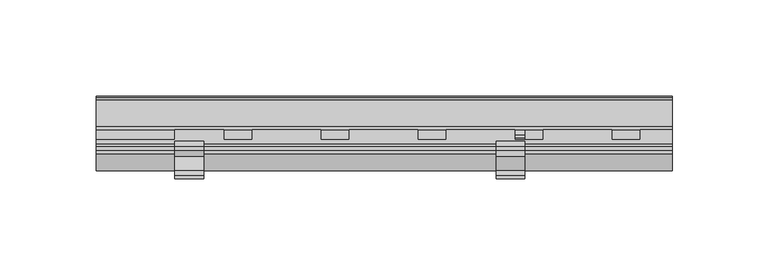
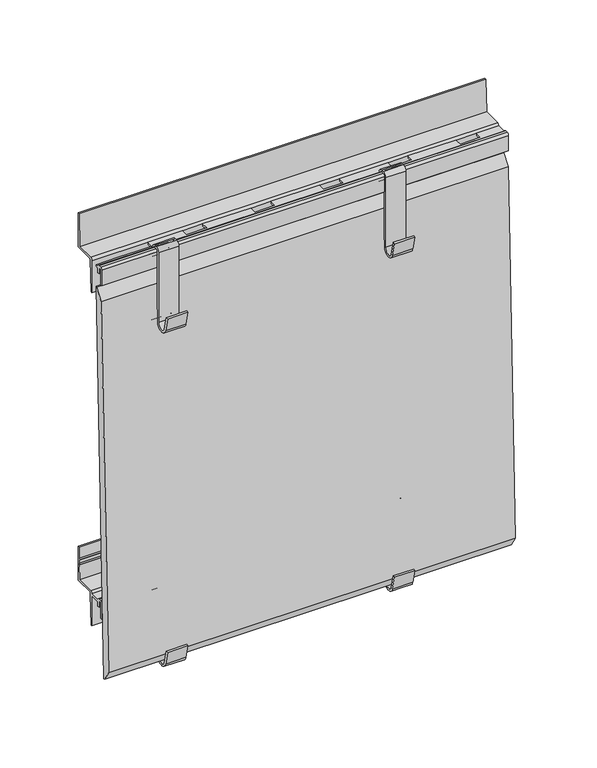
"""IFC4 building model written with IfcOpenShell, lengths in millimetres: plate geometry."""

from ifc_helpers import new_model, si_unit, point, frame, frame_2d, origin, place, context, project, spatial, polyline, circle_curve, trimmed, segment, composite_curve, outline, extrude, source, transform, mapped, element, save
from ifc_brep_helpers import plane_surface, cylinder_surface, revolved_surface, advanced_brep


def plate_468ce47e(model_context):
    return source(origin(), model_context, "Body", "SolidModel", [
        extrude(outline(composite_curve([segment(polyline([(-18.8607974, 12.4845754), (-16.2339522, 1.8827501)]), True, "CONTINUOUS"), segment(trimmed(circle_curve(frame_2d((-12.5818057, 2.7976552)), 3.765), [point((-16.2339522, 1.8827501))], [point((-8.8168057, 2.7976552))], True, "CARTESIAN"), True, "CONTINUOUS"), segment(polyline([(-8.8168057, 2.7976552), (-8.8168057, 56.7976552)]), True, "CONTINUOUS"), segment(trimmed(circle_curve(frame_2d((-5.8168057, 56.7976552)), 3.0), [point((-8.8168057, 56.7976552))], [point((-5.8168057, 59.7976552))], False, "CARTESIAN"), True, "CONTINUOUS"), segment(polyline([(-5.8168057, 59.7976552), (-3.8168058, 59.7976552)]), True, "CONTINUOUS"), segment(trimmed(circle_curve(frame_2d((-3.8168058, 56.7976552)), 3.0), [point((-3.8168058, 59.7976552))], [point((-0.8168058, 56.7976552))], False, "CARTESIAN"), True, "CONTINUOUS"), segment(polyline([(-0.8168058, 56.7976552), (-0.8168057, 51.7976552)]), True, "CONTINUOUS"), segment(trimmed(circle_curve(frame_2d((0.6831943, 51.7976552)), 1.5), [point((-0.8168057, 51.7976552))], [point((0.6831943, 50.2976552))], True, "CARTESIAN"), True, "CONTINUOUS"), segment(polyline([(0.6831943, 50.2976552), (2.1831943, 50.2976552)]), True, "CONTINUOUS"), segment(trimmed(circle_curve(frame_2d((2.1831943, 47.2976552)), 3.0), [point((2.1831943, 50.2976552))], [point((5.1831943, 47.2976552))], False, "CARTESIAN"), True, "CONTINUOUS"), segment(polyline([(5.1831943, 47.2976552), (5.1831943, 1.2976552)]), True, "CONTINUOUS"), segment(trimmed(circle_curve(frame_2d((2.1831943, 1.2976552)), 3.0), [point((5.1831943, 1.2976552))], [point((-0.8006941, 0.9871553))], False, "CARTESIAN"), True, "CONTINUOUS"), segment(polyline([(-0.8006941, 0.9871553), (-3.8092302, 30.8457927), (-2.3167633, 30.9961593), (0.6808295, 1.2455237)]), True, "CONTINUOUS"), segment(trimmed(circle_curve(frame_2d((2.1815304, 1.2993191)), 1.5016648), [point((0.6808295, 1.2455237))], [point((3.6831943, 1.300983))], True, "CARTESIAN"), True, "CONTINUOUS"), segment(polyline([(3.6831943, 1.300983), (3.6831943, 47.2976552)]), True, "CONTINUOUS"), segment(trimmed(circle_curve(frame_2d((2.1831943, 47.2976552)), 1.5), [point((3.6831943, 47.2976552))], [point((2.1831943, 48.7976552))], True, "CARTESIAN"), True, "CONTINUOUS"), segment(polyline([(2.1831943, 48.7976552), (0.6831943, 48.7976552)]), True, "CONTINUOUS"), segment(trimmed(circle_curve(frame_2d((0.6831943, 51.7976552)), 3.0), [point((0.6831943, 48.7976552))], [point((-2.3168057, 51.7976552))], False, "CARTESIAN"), True, "CONTINUOUS"), segment(polyline([(-2.3168057, 51.7976552), (-2.3168057, 56.7976552)]), True, "CONTINUOUS"), segment(trimmed(circle_curve(frame_2d((-3.8168057, 56.7976552)), 1.5), [point((-2.3168057, 56.7976552))], [point((-3.8168057, 58.2976552))], True, "CARTESIAN"), True, "CONTINUOUS"), segment(polyline([(-3.8168057, 58.2976552), (-5.8168057, 58.2976552)]), True, "CONTINUOUS"), segment(trimmed(circle_curve(frame_2d((-5.8168057, 56.7976552)), 1.5), [point((-5.8168057, 58.2976552))], [point((-7.3168057, 56.7976552))], True, "CARTESIAN"), True, "CONTINUOUS"), segment(polyline([(-7.3168057, 56.7976552), (-7.3168057, 2.7976552)]), True, "CONTINUOUS"), segment(trimmed(circle_curve(frame_2d((-12.5818057, 2.7976552)), 5.265), [point((-7.3168057, 2.7976552))], [point((-17.692272, 1.5314169))], False, "CARTESIAN"), True, "CONTINUOUS"), segment(polyline([(-17.692272, 1.5314169), (-20.3167911, 12.1238271), (-18.8607974, 12.4845754)]), True, "CONTINUOUS")], self_intersect=False)), frame((58.4272488, 0.0, 0.0), z_axis=(1.0, 0.0, 0.0), x_axis=(0.0, 1.0, 0.0)), (0.0, 0.0, 1.0), 15.0),
        extrude(outline(composite_curve([segment(polyline([(-5.8168057, 56.7976552), (-5.8168057, 49.7976552), (-6.3168057, 44.7976552), (-7.3168057, 44.7976552), (-7.3168057, 56.7976552)]), True, "CONTINUOUS"), segment(trimmed(circle_curve(frame_2d((-5.8168057, 56.7976552)), 1.5), [point((-7.3168057, 56.7976552))], [point((-5.8168057, 58.2976552))], False, "CARTESIAN"), True, "CONTINUOUS"), segment(polyline([(-5.8168057, 58.2976552), (-3.8168057, 58.2976552)]), True, "CONTINUOUS"), segment(trimmed(circle_curve(frame_2d((-3.8168057, 56.7976552)), 1.5), [point((-3.8168057, 58.2976552))], [point((-2.3168057, 56.7976552))], False, "CARTESIAN"), True, "CONTINUOUS"), segment(polyline([(-2.3168057, 56.7976552), (5.1831943, 56.7976552)]), True, "CONTINUOUS"), segment(trimmed(circle_curve(frame_2d((6.6831943, 56.7976552)), 1.5), [point((5.1831943, 56.7976552))], [point((6.6831943, 58.2976552))], False, "CARTESIAN"), True, "CONTINUOUS"), segment(polyline([(6.6831943, 58.2976552), (20.6831943, 58.2976552), (21.1423236, 69.7758352), (20.6038409, 70.35277), (21.1905414, 70.9813863), (21.2902042, 73.4729787), (20.7538425, 74.0476552), (21.3382388, 74.6737997), (21.6831943, 83.2976552), (22.6831943, 83.2976552), (22.6831943, 56.7976552), (7.6831943, 56.7976552)]), True, "CONTINUOUS"), segment(trimmed(circle_curve(frame_2d((7.6831943, 56.2976552)), 0.5), [point((7.6831943, 56.7976552))], [point((7.1831943, 56.2976552))], True, "CARTESIAN"), True, "CONTINUOUS"), segment(polyline([(7.1831943, 56.2976552), (7.1831943, 55.3127462), (6.1831943, 31.7976552), (5.1831943, 31.7976552), (5.1831943, 55.2976552), (-2.3168057, 55.2976552), (-2.3168057, 51.7696554), (-3.8168057, 51.7696554), (-3.8168057, 56.7976552), (-5.8168057, 56.7976552)]), True, "CONTINUOUS")], self_intersect=False)), frame((-150.0, 0.0, 0.0), z_axis=(1.0, 0.0, 0.0), x_axis=(0.0, 1.0, 0.0)), (0.0, 0.0, 1.0), 300.0),
        extrude(outline(composite_curve([segment(polyline([(-18.8607974, 12.4845754), (-16.2339522, 1.8827501)]), True, "CONTINUOUS"), segment(trimmed(circle_curve(frame_2d((-12.5818057, 2.7976552)), 3.765), [point((-16.2339522, 1.8827501))], [point((-8.8168057, 2.7976552))], True, "CARTESIAN"), True, "CONTINUOUS"), segment(polyline([(-8.8168057, 2.7976552), (-8.8168057, 56.7976552)]), True, "CONTINUOUS"), segment(trimmed(circle_curve(frame_2d((-5.8168057, 56.7976552)), 3.0), [point((-8.8168057, 56.7976552))], [point((-5.8168057, 59.7976552))], False, "CARTESIAN"), True, "CONTINUOUS"), segment(polyline([(-5.8168057, 59.7976552), (-3.8168057, 59.7976552)]), True, "CONTINUOUS"), segment(trimmed(circle_curve(frame_2d((-3.8168057, 56.7976552)), 3.0), [point((-3.8168057, 59.7976552))], [point((-0.8168057, 56.7976552))], False, "CARTESIAN"), True, "CONTINUOUS"), segment(polyline([(-0.8168057, 56.7976552), (-0.8168057, 51.7976552)]), True, "CONTINUOUS"), segment(trimmed(circle_curve(frame_2d((0.6831943, 51.7976552)), 1.5), [point((-0.8168057, 51.7976552))], [point((0.6831943, 50.2976552))], True, "CARTESIAN"), True, "CONTINUOUS"), segment(polyline([(0.6831943, 50.2976552), (2.1831943, 50.2976552)]), True, "CONTINUOUS"), segment(trimmed(circle_curve(frame_2d((2.1831943, 47.2976552)), 3.0), [point((2.1831943, 50.2976552))], [point((5.1831943, 47.2976552))], False, "CARTESIAN"), True, "CONTINUOUS"), segment(polyline([(5.1831943, 47.2976552), (5.1831943, 1.2976552)]), True, "CONTINUOUS"), segment(trimmed(circle_curve(frame_2d((2.1831943, 1.2976552)), 3.0), [point((5.1831943, 1.2976552))], [point((-0.8006941, 0.9871553))], False, "CARTESIAN"), True, "CONTINUOUS"), segment(polyline([(-0.8006941, 0.9871553), (-3.8092302, 30.8457927), (-2.3167633, 30.9961593), (0.6808295, 1.2455237)]), True, "CONTINUOUS"), segment(trimmed(circle_curve(frame_2d((2.1815304, 1.2993191)), 1.5016648), [point((0.6808295, 1.2455237))], [point((3.6831943, 1.300983))], True, "CARTESIAN"), True, "CONTINUOUS"), segment(polyline([(3.6831943, 1.300983), (3.6831943, 47.2976552)]), True, "CONTINUOUS"), segment(trimmed(circle_curve(frame_2d((2.1831943, 47.2976552)), 1.5), [point((3.6831943, 47.2976552))], [point((2.1831943, 48.7976552))], True, "CARTESIAN"), True, "CONTINUOUS"), segment(polyline([(2.1831943, 48.7976552), (0.6831943, 48.7976552)]), True, "CONTINUOUS"), segment(trimmed(circle_curve(frame_2d((0.6831943, 51.7976552)), 3.0), [point((0.6831943, 48.7976552))], [point((-2.3168057, 51.7976552))], False, "CARTESIAN"), True, "CONTINUOUS"), segment(polyline([(-2.3168057, 51.7976552), (-2.3168057, 56.7976552)]), True, "CONTINUOUS"), segment(trimmed(circle_curve(frame_2d((-3.8168057, 56.7976552)), 1.5), [point((-2.3168057, 56.7976552))], [point((-3.8168057, 58.2976552))], True, "CARTESIAN"), True, "CONTINUOUS"), segment(polyline([(-3.8168057, 58.2976552), (-5.8168057, 58.2976552)]), True, "CONTINUOUS"), segment(trimmed(circle_curve(frame_2d((-5.8168057, 56.7976552)), 1.5), [point((-5.8168057, 58.2976552))], [point((-7.3168057, 56.7976552))], True, "CARTESIAN"), True, "CONTINUOUS"), segment(polyline([(-7.3168057, 56.7976552), (-7.3168057, 2.7976552)]), True, "CONTINUOUS"), segment(trimmed(circle_curve(frame_2d((-12.5818057, 2.7976552)), 5.265), [point((-7.3168057, 2.7976552))], [point((-17.692272, 1.5314169))], False, "CARTESIAN"), True, "CONTINUOUS"), segment(polyline([(-17.692272, 1.5314169), (-20.3167911, 12.1238271), (-18.8607974, 12.4845754)]), True, "CONTINUOUS")], self_intersect=False)), frame((-108.9272488, 0.0, 0.0), z_axis=(1.0, 0.0, 0.0), x_axis=(0.0, 1.0, 0.0)), (0.0, 0.0, 1.0), 15.0),
        extrude(outline(composite_curve([segment(polyline([(-8.8168056, 262.7801056), (-8.8168056, 316.7801055)]), True, "CONTINUOUS"), segment(trimmed(circle_curve(frame_2d((-5.8168057, 316.7801055)), 3.0), [point((-8.8168056, 316.7801055))], [point((-5.8168057, 319.7801055))], False, "CARTESIAN"), True, "CONTINUOUS"), segment(polyline([(-5.8168057, 319.7801055), (-3.8168057, 319.7801055)]), True, "CONTINUOUS"), segment(trimmed(circle_curve(frame_2d((-3.8168057, 316.7801055)), 3.0), [point((-3.8168057, 319.7801055))], [point((-0.8168057, 316.7801055))], False, "CARTESIAN"), True, "CONTINUOUS"), segment(polyline([(-0.8168057, 316.7801055), (-0.8168057, 311.7801055)]), True, "CONTINUOUS"), segment(trimmed(circle_curve(frame_2d((0.6831943, 311.7801055)), 1.5), [point((-0.8168057, 311.7801055))], [point((0.6831943, 310.2801055))], True, "CARTESIAN"), True, "CONTINUOUS"), segment(polyline([(0.6831943, 310.2801055), (2.1831943, 310.2801055)]), True, "CONTINUOUS"), segment(trimmed(circle_curve(frame_2d((2.1831943, 307.2801056)), 3.0), [point((2.1831943, 310.2801055))], [point((5.1831943, 307.2801056))], False, "CARTESIAN"), True, "CONTINUOUS"), segment(polyline([(5.1831943, 307.2801056), (5.1831943, 261.2801056)]), True, "CONTINUOUS"), segment(trimmed(circle_curve(frame_2d((2.1831943, 261.2801056)), 3.0), [point((5.1831943, 261.2801056))], [point((-0.8168057, 261.2801056))], False, "CARTESIAN"), True, "CONTINUOUS"), segment(polyline([(-0.8168057, 261.2801056), (-0.8168057, 291.2801056), (0.6831943, 291.2801056), (0.6831943, 261.2801056)]), True, "CONTINUOUS"), segment(trimmed(circle_curve(frame_2d((2.1831943, 261.2801056)), 1.5), [point((0.6831943, 261.2801056))], [point((3.6831943, 261.2801056))], True, "CARTESIAN"), True, "CONTINUOUS"), segment(polyline([(3.6831943, 261.2801056), (3.6831943, 307.2801056)]), True, "CONTINUOUS"), segment(trimmed(circle_curve(frame_2d((2.1831943, 307.2801056)), 1.5), [point((3.6831943, 307.2801056))], [point((2.1831943, 308.7801056))], True, "CARTESIAN"), True, "CONTINUOUS"), segment(polyline([(2.1831943, 308.7801056), (0.6831943, 308.7801056)]), True, "CONTINUOUS"), segment(trimmed(circle_curve(frame_2d((0.6831943, 311.7801055)), 3.0), [point((0.6831943, 308.7801056))], [point((-2.3168057, 311.7801055))], False, "CARTESIAN"), True, "CONTINUOUS"), segment(polyline([(-2.3168057, 311.7801055), (-2.3168057, 316.7801055)]), True, "CONTINUOUS"), segment(trimmed(circle_curve(frame_2d((-3.8168057, 316.7801055)), 1.5), [point((-2.3168057, 316.7801055))], [point((-3.8168057, 318.2801055))], True, "CARTESIAN"), True, "CONTINUOUS"), segment(polyline([(-3.8168057, 318.2801055), (-5.8168057, 318.2801055)]), True, "CONTINUOUS"), segment(trimmed(circle_curve(frame_2d((-5.8168057, 316.7801055)), 1.5), [point((-5.8168057, 318.2801055))], [point((-7.3168057, 316.7801055))], True, "CARTESIAN"), True, "CONTINUOUS"), segment(polyline([(-7.3168057, 316.7801055), (-7.3168057, 262.7801056)]), True, "CONTINUOUS"), segment(trimmed(circle_curve(frame_2d((-12.5818056, 262.7801056)), 5.265), [point((-7.3168057, 262.7801056))], [point((-17.6922719, 261.5138672))], False, "CARTESIAN"), True, "CONTINUOUS"), segment(polyline([(-17.6922719, 261.5138672), (-20.316791, 272.1062774), (-18.8607973, 272.4670257), (-16.2386219, 261.8840476)]), True, "CONTINUOUS"), segment(trimmed(circle_curve(frame_2d((-12.5818056, 262.7801056)), 3.765), [point((-16.2386219, 261.8840476))], [point((-8.8168056, 262.7801056))], True, "CARTESIAN"), True, "CONTINUOUS")], self_intersect=False)), frame((-108.9272488, 0.0, 0.0), z_axis=(1.0, 0.0, 0.0), x_axis=(0.0, 1.0, 0.0)), (0.0, 0.0, 1.0), 15.0),
        advanced_brep(
        [(150.0, -6.3168057, 304.7801056), (150.0, -5.8168057, 309.7801056), (150.0, -5.8168057, 316.7801056), (150.0, -3.8168057, 316.7801056), (150.0, -3.8168057, 311.7521057), (150.0, -2.3168057, 311.7521057), (150.0, -2.3168057, 315.2801056), (150.0, 5.1831943, 315.2801056), (150.0, 5.1831943, 291.7801056), (150.0, 6.1831943, 291.7801056), (150.0, 7.2219099, 316.2055981), (150.0, 7.8213681, 316.7801056), (150.0, 22.6831943, 316.7801056), (150.0, 22.6831943, 343.2801056), (150.0, 21.6831943, 343.2801056), (150.0, 20.6831943, 318.2801056), (150.0, 6.6831943, 318.2801056), (150.0, 5.1831942, 316.7801056), (150.0, -2.3168057, 316.7801056), (150.0, -3.8168057, 318.2801056), (150.0, -5.8168057, 318.2801056), (150.0, -7.3168057, 316.7801056), (150.0, -7.3168057, 304.7801056), (-150.0, -6.3168057, 304.7801056), (-150.0, -7.3168057, 304.7801056), (-150.0, -7.3168057, 316.7801056), (-150.0, -5.8168057, 318.2801056), (-150.0, -3.8168057, 318.2801056), (-150.0, -2.3168057, 316.7801056), (-150.0, 0.0, 316.7801056), (-150.0, 0.0, 315.2801056), (-150.0, -2.3168057, 315.2801056), (-150.0, -2.3168057, 311.7521057), (-150.0, -3.8168057, 311.7521057), (-150.0, -3.8168057, 316.7801056), (-150.0, -5.8168057, 316.7801056), (-150.0, -5.8168057, 309.7801056), (-150.0, 5.1831943, 291.7801056), (-150.0, 5.1831943, 316.7801058), (-150.0, 6.6831943, 318.2801056), (-150.0, 20.6831943, 318.2801056), (-150.0, 21.6831943, 343.2801056), (-150.0, 22.6831943, 343.2801056), (-150.0, 22.6831943, 316.7801056), (-150.0, 7.8213681, 316.7801056), (-150.0, 7.2219099, 316.2055981), (-150.0, 6.1831943, 291.7801056), (133.5, 5.1831942, 316.7801056), (133.5, 0.0, 316.7801056), (118.5, 0.0, 316.7801056), (118.5, 5.1831942, 316.7801056), (83.0, 5.1831942, 316.7801056), (83.0, 0.0, 316.7801056), (68.0, 0.0, 316.7801056), (68.0, 5.1831942, 316.7801056), (32.5, 5.1831942, 316.7801056), (32.5, 0.0, 316.7801056), (17.5, 0.0, 316.7801056), (17.5, 5.1831942, 316.7801056), (-18.0, 5.1831942, 316.7801056), (-18.0, 0.0, 316.7801056), (-33.0, 0.0, 316.7801056), (-33.0, 5.1831942, 316.7801056), (-68.5, 5.1831942, 316.7801056), (-68.5, 0.0, 316.7801056), (-83.5, 0.0, 316.7801056), (-83.5, 5.1831942, 316.7801056), (-108.9272488, 5.1831942, 316.7801056), (-108.9272488, 0.0, 316.7801056), (-119.0, 0.0, 316.7801056), (-134.0, 0.0, 316.7801056), (133.5, 5.1831943, 315.2801056), (118.5, 5.1831943, 315.2976552), (83.0, 5.1831943, 315.2801056), (68.0, 5.1831943, 315.2976552), (32.5, 5.1831943, 315.2801056), (17.5, 5.1831943, 315.2976552), (-18.0, 5.1831943, 315.2801056), (-33.0, 5.1831943, 315.2976552), (-68.5, 5.1831943, 315.2801056), (-83.5, 5.1831943, 315.2976552), (-108.9272488, 5.1831943, 315.2801056), (-134.0, 0.0, 315.2801056), (-119.0, 0.0, 315.2801056), (-108.9272488, 0.0, 315.2801056), (-83.5, 0.0, 315.2801056), (-68.5, 0.0, 315.2801056), (-33.0, 0.0, 315.2801056), (-18.0, 0.0, 315.2801056), (17.5, 0.0, 315.2801056), (32.5, 0.0, 315.2801056), (68.0, 0.0, 315.2801056), (83.0, 0.0, 315.2801056), (118.5, 0.0, 315.2801056), (133.5, 0.0, 315.2801056)],
        [
            (0, 1),
            (1, 2),
            (2, 3),
            (3, 4),
            (4, 5),
            (5, 6),
            (6, 7),
            (7, 8),
            (8, 9),
            (9, 10),
            (10, 11, circle_curve(frame((150.0, 7.8213681, 316.1801056), z_axis=(-1.0, 0.0, 0.0), x_axis=(0.0, -1.0, 0.0)), 0.6)),
            (11, 12),
            (12, 13),
            (13, 14),
            (14, 15),
            (15, 16),
            (16, 17, circle_curve(frame((150.0, 6.6831943, 316.7801056), z_axis=(1.0, 0.0, 0.0), x_axis=(0.0, -1.0, 0.0)), 1.5)),
            (17, 18),
            (18, 19, circle_curve(frame((150.0, -3.8168057, 316.7801056), z_axis=(1.0, 0.0, 0.0), x_axis=(0.0, -1.0, 0.0)), 1.5)),
            (19, 20),
            (20, 21, circle_curve(frame((150.0, -5.8168057, 316.7801056), z_axis=(1.0, 0.0, 0.0), x_axis=(0.0, -1.0, 0.0)), 1.5)),
            (21, 22),
            (22, 0),
            (23, 24),
            (24, 25),
            (25, 26, circle_curve(frame((-150.0, -5.8168057, 316.7801056), z_axis=(-1.0, 0.0, 0.0), x_axis=(0.0, -1.0, 0.0)), 1.5)),
            (26, 27),
            (27, 28, circle_curve(frame((-150.0, -3.8168057, 316.7801056), z_axis=(-1.0, 0.0, 0.0), x_axis=(0.0, -1.0, 0.0)), 1.5)),
            (28, 29),
            (29, 30),
            (30, 31),
            (31, 32),
            (32, 33),
            (33, 34),
            (34, 35),
            (35, 36),
            (36, 23),
            (37, 38),
            (38, 39, circle_curve(frame((-150.0, 6.6831943, 316.7801056), z_axis=(-1.0, 0.0, 0.0), x_axis=(0.0, -1.0, 0.0)), 1.5)),
            (39, 40),
            (40, 41),
            (41, 42),
            (42, 43),
            (43, 44),
            (44, 45, circle_curve(frame((-150.0, 7.8213681, 316.1801056), z_axis=(1.0, 0.0, 0.0), x_axis=(0.0, -1.0, 0.0)), 0.6)),
            (45, 46),
            (46, 37),
            (22, 24),
            (23, 0),
            (21, 25),
            (20, 26),
            (19, 27),
            (18, 28),
            (17, 47),
            (47, 48),
            (48, 49),
            (49, 50),
            (50, 51),
            (51, 52),
            (52, 53),
            (53, 54),
            (54, 55),
            (55, 56),
            (56, 57),
            (57, 58),
            (58, 59),
            (59, 60),
            (60, 61),
            (61, 62),
            (62, 63),
            (63, 64),
            (64, 65),
            (65, 66),
            (66, 67),
            (67, 68),
            (68, 69),
            (69, 70),
            (70, 29),
            (16, 39),
            (38, 67),
            (66, 63),
            (62, 59),
            (58, 55),
            (54, 51),
            (50, 47),
            (15, 40),
            (14, 41),
            (13, 42),
            (12, 43),
            (11, 44),
            (10, 45),
            (9, 46),
            (8, 37),
            (7, 71),
            (71, 47),
            (50, 72),
            (72, 73),
            (73, 51),
            (54, 74),
            (74, 75),
            (75, 55),
            (58, 76),
            (76, 77),
            (77, 59),
            (62, 78),
            (78, 79),
            (79, 63),
            (66, 80),
            (80, 81),
            (81, 67),
            (6, 31),
            (30, 82),
            (82, 83),
            (83, 84),
            (84, 81),
            (80, 85),
            (85, 86),
            (86, 79),
            (78, 87),
            (87, 88),
            (88, 77),
            (76, 89),
            (89, 90),
            (90, 75),
            (74, 91),
            (91, 92),
            (92, 73),
            (72, 93),
            (93, 94),
            (94, 71),
            (5, 32),
            (4, 33),
            (3, 34),
            (2, 35),
            (1, 36),
            (84, 68),
            (86, 64),
            (65, 85),
            (88, 60),
            (61, 87),
            (90, 56),
            (57, 89),
            (92, 52),
            (53, 91),
            (94, 48),
            (49, 93),
        ],
        [
            plane_surface(frame((150.0, -7.3168057, 304.7801056), z_axis=(1.0, 0.0, 0.0), x_axis=(0.0, -1.0, 0.0))),
            plane_surface(frame((-150.0, -7.3168057, 304.7801056), z_axis=(-1.0, 0.0, 0.0), x_axis=(0.0, 1.0, 0.0))),
            plane_surface(frame((150.0, -6.3168057, 304.7801056), z_axis=(0.0, 0.0, -1.0), x_axis=(-1.0, 0.0, 0.0))),
            plane_surface(frame((150.0, -7.3168057, 304.7801056), z_axis=(0.0, -1.0, 0.0), x_axis=(-1.0, 0.0, 0.0))),
            cylinder_surface(frame((-150.0, -5.8168057, 316.7801056), z_axis=(1.0, 0.0, 0.0), x_axis=(0.0, -1.0, 0.0)), 1.5),
            plane_surface(frame((150.0, -5.8168057, 318.2801056), z_axis=(0.0, 0.0, 1.0), x_axis=(-1.0, 0.0, 0.0))),
            cylinder_surface(frame((-150.0, -3.8168057, 316.7801056), z_axis=(1.0, 0.0, 0.0), x_axis=(0.0, -1.0, 0.0)), 1.5),
            plane_surface(frame((150.0, -2.3168057, 316.7801056), z_axis=(0.0, 0.0, 1.0), x_axis=(-1.0, 0.0, 0.0))),
            cylinder_surface(frame((-150.0, 6.6831943, 316.7801056), z_axis=(1.0, 0.0, 0.0), x_axis=(0.0, -1.0, 0.0)), 1.5),
            plane_surface(frame((150.0, 6.6831943, 318.2801056), z_axis=(0.0, 0.0, 1.0), x_axis=(-1.0, 0.0, 0.0))),
            plane_surface(frame((150.0, 20.6831943, 318.2801056), z_axis=(0.0, -0.9992009587217895, 0.0399680383488705), x_axis=(-1.0, 0.0, 0.0))),
            plane_surface(frame((150.0, 21.6831943, 343.2801056), z_axis=(0.0, 0.0, 1.0), x_axis=(-1.0, 0.0, 0.0))),
            plane_surface(frame((150.0, 22.6831943, 343.2801056), z_axis=(0.0, 1.0, 0.0), x_axis=(-1.0, 0.0, 0.0))),
            plane_surface(frame((150.0, 22.6831943, 316.7801056), z_axis=(0.0, 0.0, -1.0), x_axis=(-1.0, 0.0, 0.0))),
            revolved_surface(polyline([(-150.0, 7.2213681, 316.1801056), (150.0, 7.2213681, 316.1801056)]), (-150.0, 7.8213681, 316.1801056), (-1.0, 0.0, 0.0)),
            plane_surface(frame((150.0, 7.2219099, 316.2055981), z_axis=(0.0, 0.9990969992385167, -0.04248748183396547), x_axis=(-1.0, 0.0, 0.0))),
            plane_surface(frame((150.0, 6.1831943, 291.7801056), z_axis=(0.0, 0.0, -1.0), x_axis=(-1.0, 0.0, 0.0))),
            plane_surface(frame((150.0, 5.1831943, 291.7801056), z_axis=(0.0, -1.0, 0.0), x_axis=(-1.0, 0.0, 0.0))),
            plane_surface(frame((150.0, 5.1831943, 315.2801056), z_axis=(0.0, 0.0, -1.0), x_axis=(-1.0, 0.0, 0.0))),
            plane_surface(frame((150.0, -2.3168057, 315.2801056), z_axis=(0.0, 1.0, 0.0), x_axis=(-1.0, 0.0, 0.0))),
            plane_surface(frame((150.0, -2.3168057, 311.7521057), z_axis=(0.0, 0.0, -1.0), x_axis=(-1.0, 0.0, 0.0))),
            plane_surface(frame((150.0, -3.8168057, 311.7521057), z_axis=(0.0, -1.0, 0.0), x_axis=(-1.0, 0.0, 0.0))),
            plane_surface(frame((150.0, -3.8168057, 316.7801056), z_axis=(0.0, 0.0, -1.0), x_axis=(-1.0, 0.0, 0.0))),
            plane_surface(frame((150.0, -5.8168057, 316.7801056), z_axis=(0.0, 1.0, 0.0), x_axis=(-1.0, 0.0, 0.0))),
            plane_surface(frame((150.0, -5.8168057, 309.7801056), z_axis=(0.0, 0.9950371902099884, -0.0995037190210076), x_axis=(-1.0, 0.0, 0.0))),
            plane_surface(frame((-108.9272488, 5.1831943, 316.7801055), z_axis=(-1.0, 0.0, 0.0), x_axis=(0.0, 0.0, -1.0))),
            plane_surface(frame((-108.9272488, 0.0, 315.2801056), z_axis=(0.0, 1.0, 0.0), x_axis=(-1.0, 0.0, 0.0))),
            plane_surface(frame((-68.5, 5.1831943, 316.7976552), z_axis=(-1.0, 0.0, 0.0), x_axis=(0.0, 0.0, -1.0))),
            plane_surface(frame((-83.5, 5.1831943, 316.7976552), z_axis=(1.0, 0.0, 0.0), x_axis=(0.0, 0.0, 1.0))),
            plane_surface(frame((-68.5, 0.0, 315.2976552), z_axis=(0.0, 1.0, 0.0), x_axis=(-1.0, 0.0, 0.0))),
            plane_surface(frame((-18.0, 5.1831943, 316.7976552), z_axis=(-1.0, 0.0, 0.0), x_axis=(0.0, 0.0, -1.0))),
            plane_surface(frame((-33.0, 5.1831943, 316.7976552), z_axis=(1.0, 0.0, 0.0), x_axis=(0.0, 0.0, 1.0))),
            plane_surface(frame((-18.0, 0.0, 315.2976552), z_axis=(0.0, 1.0, 0.0), x_axis=(-1.0, 0.0, 0.0))),
            plane_surface(frame((32.5, 5.1831943, 316.7976552), z_axis=(-1.0, 0.0, 0.0), x_axis=(0.0, 0.0, -1.0))),
            plane_surface(frame((17.5, 5.1831943, 316.7976552), z_axis=(1.0, 0.0, 0.0), x_axis=(0.0, 0.0, 1.0))),
            plane_surface(frame((32.5, 0.0, 315.2976552), z_axis=(0.0, 1.0, 0.0), x_axis=(-1.0, 0.0, 0.0))),
            plane_surface(frame((83.0, 5.1831943, 316.7976552), z_axis=(-1.0, 0.0, 0.0), x_axis=(0.0, 0.0, -1.0))),
            plane_surface(frame((68.0, 5.1831943, 316.7976552), z_axis=(1.0, 0.0, 0.0), x_axis=(0.0, 0.0, 1.0))),
            plane_surface(frame((83.0, 0.0, 315.2976552), z_axis=(0.0, 1.0, 0.0), x_axis=(-1.0, 0.0, 0.0))),
            plane_surface(frame((133.5, 5.1831943, 316.7976552), z_axis=(-1.0, 0.0, 0.0), x_axis=(0.0, 0.0, -1.0))),
            plane_surface(frame((118.5, 5.1831943, 316.7976552), z_axis=(1.0, 0.0, 0.0), x_axis=(0.0, 0.0, 1.0))),
            plane_surface(frame((133.5, 0.0, 315.2976552), z_axis=(0.0, 1.0, 0.0), x_axis=(-1.0, 0.0, 0.0))),
        ],
        [
            (0, [[1, 2, 3, 4, 5, 6, 7, 8, 9, 10, 11, 12, 13, 14, 15, 16, 17, 18, 19, 20, 21, 22, 23]]),
            (1, [[24, 25, 26, 27, 28, 29, 30, 31, 32, 33, 34, 35, 36, 37]]),
            (1, [[38, 39, 40, 41, 42, 43, 44, 45, 46, 47]]),
            (2, [[48, -24, 49, -23]]),
            (3, [[50, -25, -48, -22]]),
            (4, [[51, -26, -50, -21]]),
            (5, [[52, -27, -51, -20]]),
            (6, [[53, -28, -52, -19]]),
            (7, [[54, 55, 56, 57, 58, 59, 60, 61, 62, 63, 64, 65, 66, 67, 68, 69, 70, 71, 72, 73, 74, 75, 76, 77, 78, -29, -53, -18]]),
            (8, [[79, -39, 80, -74, 81, -70, 82, -66, 83, -62, 84, -58, 85, -54, -17]]),
            (9, [[86, -40, -79, -16]]),
            (10, [[87, -41, -86, -15]]),
            (11, [[88, -42, -87, -14]]),
            (12, [[89, -43, -88, -13]]),
            (13, [[90, -44, -89, -12]]),
            (14, [[91, -45, -90, -11]]),
            (15, [[92, -46, -91, -10]]),
            (16, [[93, -47, -92, -9]]),
            (17, [[94, 95, -85, 96, 97, 98, -84, 99, 100, 101, -83, 102, 103, 104, -82, 105, 106, 107, -81, 108, 109, 110, -80, -38, -93, -8]]),
            (18, [[111, -31, 112, 113, 114, 115, -109, 116, 117, 118, -106, 119, 120, 121, -103, 122, 123, 124, -100, 125, 126, 127, -97, 128, 129, 130, -94, -7]]),
            (19, [[131, -32, -111, -6]]),
            (20, [[132, -33, -131, -5]]),
            (21, [[133, -34, -132, -4]]),
            (22, [[134, -35, -133, -3]]),
            (23, [[135, -36, -134, -2]]),
            (24, [[-49, -37, -135, -1]]),
            (25, [[-75, -110, -115, 136]]),
            (26, [[-114, -113, -112, -30, -78, -77, -76, -136]]),
            (27, [[-71, -107, -118, 137]]),
            (28, [[-73, 138, -116, -108]]),
            (29, [[-117, -138, -72, -137]]),
            (30, [[-67, -104, -121, 139]]),
            (31, [[-69, 140, -119, -105]]),
            (32, [[-120, -140, -68, -139]]),
            (33, [[-63, -101, -124, 141]]),
            (34, [[-65, 142, -122, -102]]),
            (35, [[-123, -142, -64, -141]]),
            (36, [[-59, -98, -127, 143]]),
            (37, [[-61, 144, -125, -99]]),
            (38, [[-126, -144, -60, -143]]),
            (39, [[-55, -95, -130, 145]]),
            (40, [[-57, 146, -128, -96]]),
            (41, [[-129, -146, -56, -145]]),
        ],
    ),
        extrude(outline(composite_curve([segment(polyline([(-8.8168056, 262.7801056), (-8.8168056, 316.7801055)]), True, "CONTINUOUS"), segment(trimmed(circle_curve(frame_2d((-5.8168057, 316.7801055)), 3.0), [point((-8.8168056, 316.7801055))], [point((-5.8168057, 319.7801055))], False, "CARTESIAN"), True, "CONTINUOUS"), segment(polyline([(-5.8168057, 319.7801055), (-3.8168057, 319.7801055)]), True, "CONTINUOUS"), segment(trimmed(circle_curve(frame_2d((-3.8168057, 316.7801055)), 3.0), [point((-3.8168057, 319.7801055))], [point((-0.8168057, 316.7801055))], False, "CARTESIAN"), True, "CONTINUOUS"), segment(polyline([(-0.8168057, 316.7801055), (-0.8168057, 311.7801055)]), True, "CONTINUOUS"), segment(trimmed(circle_curve(frame_2d((0.6831943, 311.7801055)), 1.5), [point((-0.8168057, 311.7801055))], [point((0.6831943, 310.2801055))], True, "CARTESIAN"), True, "CONTINUOUS"), segment(polyline([(0.6831943, 310.2801055), (2.1831943, 310.2801055)]), True, "CONTINUOUS"), segment(trimmed(circle_curve(frame_2d((2.1831943, 307.2801056)), 3.0), [point((2.1831943, 310.2801055))], [point((5.1831943, 307.2801056))], False, "CARTESIAN"), True, "CONTINUOUS"), segment(polyline([(5.1831943, 307.2801056), (5.1831943, 261.2801056)]), True, "CONTINUOUS"), segment(trimmed(circle_curve(frame_2d((2.1831943, 261.2801056)), 3.0), [point((5.1831943, 261.2801056))], [point((-0.8168057, 261.2801056))], False, "CARTESIAN"), True, "CONTINUOUS"), segment(polyline([(-0.8168057, 261.2801056), (-0.8168057, 291.2801056), (0.6831943, 291.2801056), (0.6831943, 261.2801056)]), True, "CONTINUOUS"), segment(trimmed(circle_curve(frame_2d((2.1831943, 261.2801056)), 1.5), [point((0.6831943, 261.2801056))], [point((3.6831943, 261.2801056))], True, "CARTESIAN"), True, "CONTINUOUS"), segment(polyline([(3.6831943, 261.2801056), (3.6831943, 307.2801056)]), True, "CONTINUOUS"), segment(trimmed(circle_curve(frame_2d((2.1831943, 307.2801056)), 1.5), [point((3.6831943, 307.2801056))], [point((2.1831943, 308.7801056))], True, "CARTESIAN"), True, "CONTINUOUS"), segment(polyline([(2.1831943, 308.7801056), (0.6831943, 308.7801056)]), True, "CONTINUOUS"), segment(trimmed(circle_curve(frame_2d((0.6831943, 311.7801055)), 3.0), [point((0.6831943, 308.7801056))], [point((-2.3168057, 311.7801055))], False, "CARTESIAN"), True, "CONTINUOUS"), segment(polyline([(-2.3168057, 311.7801055), (-2.3168057, 316.7801055)]), True, "CONTINUOUS"), segment(trimmed(circle_curve(frame_2d((-3.8168057, 316.7801055)), 1.5), [point((-2.3168057, 316.7801055))], [point((-3.8168057, 318.2801055))], True, "CARTESIAN"), True, "CONTINUOUS"), segment(polyline([(-3.8168057, 318.2801055), (-5.8168057, 318.2801055)]), True, "CONTINUOUS"), segment(trimmed(circle_curve(frame_2d((-5.8168057, 316.7801055)), 1.5), [point((-5.8168057, 318.2801055))], [point((-7.3168057, 316.7801055))], True, "CARTESIAN"), True, "CONTINUOUS"), segment(polyline([(-7.3168057, 316.7801055), (-7.3168057, 262.7801056)]), True, "CONTINUOUS"), segment(trimmed(circle_curve(frame_2d((-12.5818056, 262.7801056)), 5.265), [point((-7.3168057, 262.7801056))], [point((-17.6922719, 261.5138672))], False, "CARTESIAN"), True, "CONTINUOUS"), segment(polyline([(-17.6922719, 261.5138672), (-20.316791, 272.1062774), (-18.8607973, 272.4670257), (-16.2386219, 261.8840476)]), True, "CONTINUOUS"), segment(trimmed(circle_curve(frame_2d((-12.5818056, 262.7801056)), 3.765), [point((-16.2386219, 261.8840476))], [point((-8.8168056, 262.7801056))], True, "CARTESIAN"), True, "CONTINUOUS")], self_intersect=False)), frame((58.4272488, 0.0, 0.0), z_axis=(1.0, 0.0, 0.0), x_axis=(0.0, 1.0, 0.0)), (0.0, 0.0, 1.0), 15.0),
        extrude(outline(polyline([(-1.1419327, 299.813656), (0.0, 299.813656), (-10.0622119, 0.0), (-11.1537037, 0.0), (-16.2901922, 8.2146092), (-6.7647052, 292.035076), (-1.1419327, 299.813656)])), frame((-150.0, 0.0, 0.0), z_axis=(1.0, 0.0, 0.0), x_axis=(0.0, 1.0, 0.0)), (0.0, 0.0, 1.0), 300.0),
    ])


if __name__ == "__main__":
    model = new_model("IFC4")
    model_context = context("Model", 3, world=origin())
    ifc_project = project(units=[si_unit("LENGTHUNIT", "METRE", prefix="MILLI")], contexts=[model_context])
    site = spatial("IfcSite", under=ifc_project)
    building = spatial("IfcBuilding", under=site)
    placement = place(None, origin())
    plate_shape = plate_468ce47e(model_context)
    element("IfcPlate", 1, at=placement, inside=building, context=model_context, shape_type="MappedRepresentation", body=[
        mapped(plate_shape, transform((0.0, 0.0, 0.0), x_axis=(1.0, 0.0, 0.0), y_axis=(0.0, 1.0, 0.0), z_axis=(0.0, 0.0, 1.0))),
    ])
    save(model, "model.ifc")
